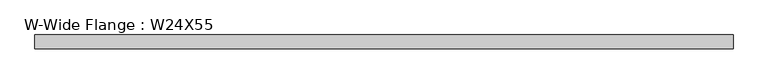
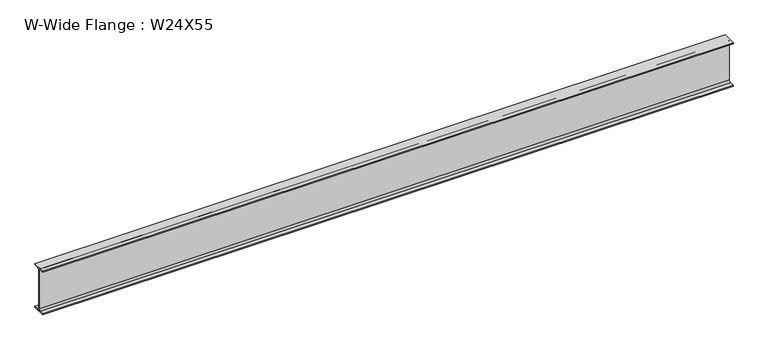
"""IFC4 building model written with IfcOpenShell, lengths in millimetres: beam geometry, W-Wide Flange : W24X55."""

from ifc_helpers import new_model, si_unit, point, frame, frame_2d, origin, place, context, project, spatial, polyline, circle_curve, trimmed, segment, composite_curve, outline, extrude, source, transform, mapped, element, save


def w_wide_flange_w24x55_33bb1bf7(model_context):
    return source(origin(), model_context, "Body", "SweptSolid", [
        extrude(outline(composite_curve([segment(polyline([(89.0488281, -286.940625), (89.0488281, -299.7398438), (-89.0488281, -299.7398438), (-89.0488281, -286.940625), (-28.7238281, -286.940625)]), True, "CONTINUOUS"), segment(trimmed(circle_curve(frame_2d((-28.7238281, -263.2273438)), 23.7132812), [point((-28.7238281, -286.940625))], [point((-5.0105469, -263.2273438))], True, "CARTESIAN"), True, "CONTINUOUS"), segment(polyline([(-5.0105469, -263.2273438), (-5.0105469, 263.2273437)]), True, "CONTINUOUS"), segment(trimmed(circle_curve(frame_2d((-28.7238281, 263.2273437)), 23.7132812), [point((-5.0105469, 263.2273437))], [point((-28.7238281, 286.940625))], True, "CARTESIAN"), True, "CONTINUOUS"), segment(polyline([(-28.7238281, 286.940625), (-89.0488281, 286.940625), (-89.0488281, 299.7398437), (89.0488281, 299.7398437), (89.0488281, 286.940625), (28.7238281, 286.940625)]), True, "CONTINUOUS"), segment(trimmed(circle_curve(frame_2d((28.7238281, 263.2273437)), 23.7132812), [point((28.7238281, 286.940625))], [point((5.0105469, 263.2273437))], True, "CARTESIAN"), True, "CONTINUOUS"), segment(polyline([(5.0105469, 263.2273437), (5.0105469, -263.2273438)]), True, "CONTINUOUS"), segment(trimmed(circle_curve(frame_2d((28.7238281, -263.2273438)), 23.7132812), [point((5.0105469, -263.2273438))], [point((28.7238281, -286.940625))], True, "CARTESIAN"), True, "CONTINUOUS"), segment(polyline([(28.7238281, -286.940625), (89.0488281, -286.940625)]), True, "CONTINUOUS")], self_intersect=False)), frame((-4507.5078125, 0.0, 0.0), z_axis=(1.0, 0.0, 0.0), x_axis=(0.0, 1.0, 0.0)), (0.0, 0.0, 1.0), 8990.6078125),
    ])


if __name__ == "__main__":
    model = new_model("IFC4")
    model_context = context("Model", 3, world=origin())
    ifc_project = project(units=[si_unit("LENGTHUNIT", "METRE", prefix="MILLI")], contexts=[model_context])
    site = spatial("IfcSite", under=ifc_project)
    building = spatial("IfcBuilding", under=site)
    placement = place(None, origin())
    w_wide_flange_w24x55_shape = w_wide_flange_w24x55_33bb1bf7(model_context)
    element("IfcBeam", 1, ObjectType="W-Wide Flange : W24X55", at=placement, inside=building, context=model_context, shape_type="MappedRepresentation", body=[
        mapped(w_wide_flange_w24x55_shape, transform((0.0, 0.0, 0.0), x_axis=(1.0, 0.0, 0.0), y_axis=(0.0, 1.0, 0.0), z_axis=(0.0, 0.0, 1.0))),
    ])
    save(model, "model.ifc")
